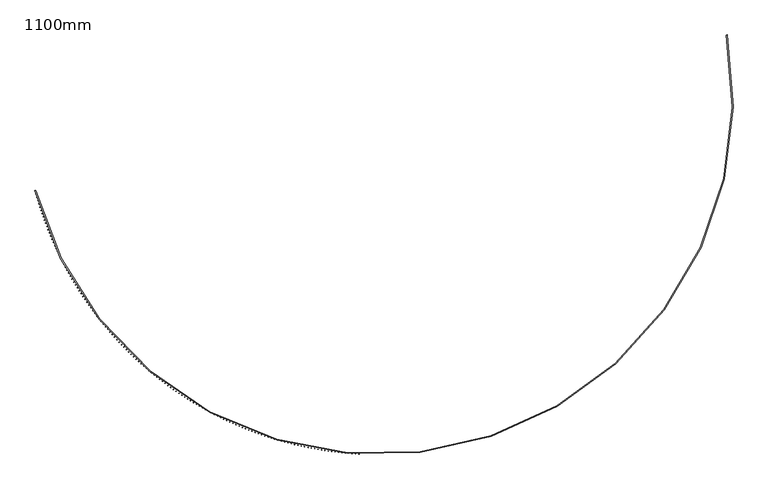
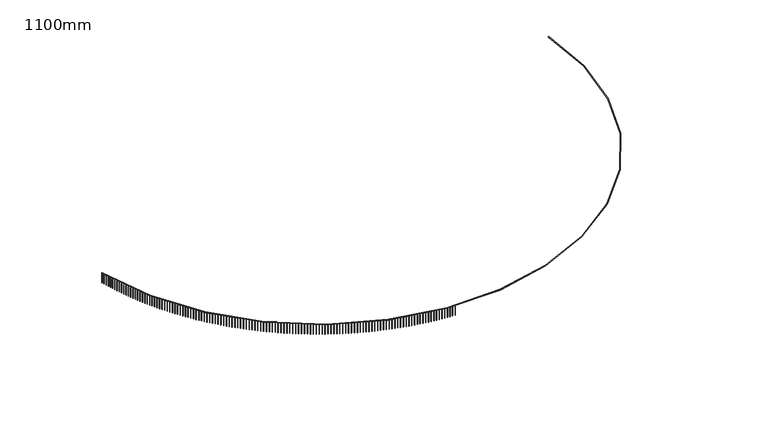
"""IFC4 building model written with IfcOpenShell, lengths in millimetres: railing geometry, 1100mm."""

from ifc_helpers import new_model, si_unit, point, frame, frame_2d, origin, place, context, project, spatial, polyline, circle_curve, trimmed, segment, composite_curve, outline, extrude, source, transform, mapped, element, save


def railing_1100mm_6e2696e0(model_context):
    return source(origin(), model_context, "Body", "SweptSolid", [
        extrude(outline(composite_curve([segment(trimmed(circle_curve(frame_2d((-9136.8690583, -54154.7608855)), 28388.8165606), [point((-36585.4829825, -61400.3457034))], [point((18767.7276518, -48933.8042532))], True, "CARTESIAN"), True, "CONTINUOUS"), segment(polyline([(18767.7276518, -48933.8042532), (18816.8748162, -48924.6088071)]), True, "CONTINUOUS"), segment(trimmed(circle_curve(frame_2d((-9136.8690583, -54154.7608855)), 28438.8165606), [point((18816.8748162, -48924.6088071))], [point((-36633.8270441, -61413.1070399))], False, "CARTESIAN"), True, "CONTINUOUS"), segment(polyline([(-36633.8270441, -61413.1070399), (-36585.4829825, -61400.3457034)]), True, "CONTINUOUS")], self_intersect=False)), frame((0.0, 0.0, 11650.0), z_axis=(0.0, 0.0, 1.0), x_axis=(1.0, 0.0, 0.0)), (0.0, 0.0, 1.0), 50.0),
        extrude(outline(polyline([(-36591.3081731, -61427.223434), (-36615.4775056, -61433.6143155), (-36621.8683871, -61409.444983), (-36597.6990545, -61403.0541015), (-36591.3081731, -61427.223434)])), frame((0.0, 0.0, 10600.0), z_axis=(0.0, 0.0, 1.0), x_axis=(1.0, 0.0, 0.0)), (0.0, 0.0, 1.0), 1050.0),
        extrude(outline(polyline([(-36519.6377071, -61692.593449), (-36543.7440551, -61699.2179477), (-36550.3685538, -61675.1115996), (-36526.2622058, -61668.4871009), (-36519.6377071, -61692.593449)])), frame((0.0, 0.0, 10600.0), z_axis=(0.0, 0.0, 1.0), x_axis=(1.0, 0.0, 0.0)), (0.0, 0.0, 1.0), 1050.0),
        extrude(outline(polyline([(-36445.4022833, -61957.2573914), (-36469.4433889, -61964.1148868), (-36476.3008843, -61940.0737813), (-36452.2597788, -61933.2162858), (-36445.4022833, -61957.2573914)])), frame((0.0, 0.0, 10600.0), z_axis=(0.0, 0.0, 1.0), x_axis=(1.0, 0.0, 0.0)), (0.0, 0.0, 1.0), 1050.0),
        extrude(outline(polyline([(-36368.6088556, -62221.19047), (-36392.5824667, -62228.2803198), (-36399.6723165, -62204.3067087), (-36375.6987054, -62197.2168589), (-36368.6088556, -62221.19047)])), frame((0.0, 0.0, 10600.0), z_axis=(0.0, 0.0, 1.0), x_axis=(1.0, 0.0, 0.0)), (0.0, 0.0, 1.0), 1050.0),
        extrude(outline(polyline([(-36289.264617, -62484.3679621), (-36313.1684881, -62491.6895022), (-36320.4900282, -62467.7856312), (-36296.5861571, -62460.4640911), (-36289.264617, -62484.3679621)])), frame((0.0, 0.0, 10600.0), z_axis=(0.0, 0.0, 1.0), x_axis=(1.0, 0.0, 0.0)), (0.0, 0.0, 1.0), 1050.0),
        extrude(outline(polyline([(-36207.3769999, -62746.7652157), (-36231.2088918, -62754.3177603), (-36238.7614364, -62730.4858684), (-36214.9295445, -62722.9333238), (-36207.3769999, -62746.7652157)])), frame((0.0, 0.0, 10600.0), z_axis=(0.0, 0.0, 1.0), x_axis=(1.0, 0.0, 0.0)), (0.0, 0.0, 1.0), 1050.0),
        extrude(outline(polyline([(-36122.9536747, -63008.357652), (-36146.7113551, -63016.1404936), (-36154.4941967, -62992.3828132), (-36130.7365163, -62984.5999716), (-36122.9536747, -63008.357652)])), frame((0.0, 0.0, 10600.0), z_axis=(0.0, 0.0, 1.0), x_axis=(1.0, 0.0, 0.0)), (0.0, 0.0, 1.0), 1050.0),
        extrude(outline(polyline([(-36036.0025494, -63269.1207673), (-36059.6837929, -63277.1331769), (-36067.6962025, -63253.4519335), (-36044.014959, -63245.4395239), (-36036.0025494, -63269.1207673)])), frame((0.0, 0.0, 10600.0), z_axis=(0.0, 0.0, 1.0), x_axis=(1.0, 0.0, 0.0)), (0.0, 0.0, 1.0), 1050.0),
        extrude(outline(polyline([(-35946.5317687, -63529.030136), (-35970.1343571, -63537.2713631), (-35978.3755841, -63513.6687748), (-35954.7729958, -63505.4275477), (-35946.5317687, -63529.030136)])), frame((0.0, 0.0, 10600.0), z_axis=(0.0, 0.0, 1.0), x_axis=(1.0, 0.0, 0.0)), (0.0, 0.0, 1.0), 1050.0),
        extrude(outline(polyline([(-35854.5497134, -63788.0614122), (-35878.0714358, -63796.5306848), (-35886.5407084, -63773.0089625), (-35863.018986, -63764.5396899), (-35854.5497134, -63788.0614122)])), frame((0.0, 0.0, 10600.0), z_axis=(0.0, 0.0, 1.0), x_axis=(1.0, 0.0, 0.0)), (0.0, 0.0, 1.0), 1050.0),
        extrude(outline(polyline([(-35760.0649996, -64046.1903323), (-35783.5036526, -64054.8868571), (-35792.2001774, -64031.448204), (-35768.7615243, -64022.7516793), (-35760.0649996, -64046.1903323)])), frame((0.0, 0.0, 10600.0), z_axis=(0.0, 0.0, 1.0), x_axis=(1.0, 0.0, 0.0)), (0.0, 0.0, 1.0), 1050.0),
        extrude(outline(polyline([(-35663.0864775, -64303.3927172), (-35686.4398658, -64312.3156796), (-35695.3628281, -64288.9622913), (-35672.0094399, -64280.039329), (-35663.0864775, -64303.3927172)])), frame((0.0, 0.0, 10600.0), z_axis=(0.0, 0.0, 1.0), x_axis=(1.0, 0.0, 0.0)), (0.0, 0.0, 1.0), 1050.0),
        extrude(outline(polyline([(-35563.6232314, -64559.6444747), (-35586.8891673, -64568.7930388), (-35596.0377314, -64545.5271029), (-35572.7717955, -64536.3785387), (-35563.6232314, -64559.6444747)])), frame((0.0, 0.0, 10600.0), z_axis=(0.0, 0.0, 1.0), x_axis=(1.0, 0.0, 0.0)), (0.0, 0.0, 1.0), 1050.0),
        extrude(outline(polyline([(-35461.6845778, -64814.9216014), (-35484.8608821, -64824.2949104), (-35494.234191, -64801.1186061), (-35471.0578868, -64791.7452972), (-35461.6845778, -64814.9216014)])), frame((0.0, 0.0, 10600.0), z_axis=(0.0, 0.0, 1.0), x_axis=(1.0, 0.0, 0.0)), (0.0, 0.0, 1.0), 1050.0),
        extrude(outline(polyline([(-35357.2800656, -65069.2001856), (-35380.3645673, -65078.7973613), (-35389.961743, -65055.7128597), (-35366.8772413, -65046.1156839), (-35357.2800656, -65069.2001856)])), frame((0.0, 0.0, 10600.0), z_axis=(0.0, 0.0, 1.0), x_axis=(1.0, 0.0, 0.0)), (0.0, 0.0, 1.0), 1050.0),
        extrude(outline(polyline([(-35250.4194743, -65322.4564087), (-35273.410011, -65332.2765523), (-35283.2301546, -65309.2860156), (-35260.2396179, -65299.465872), (-35250.4194743, -65322.4564087)])), frame((0.0, 0.0, 10600.0), z_axis=(0.0, 0.0, 1.0), x_axis=(1.0, 0.0, 0.0)), (0.0, 0.0, 1.0), 1050.0),
        extrude(outline(polyline([(-35141.1128135, -65574.6665482), (-35164.0072318, -65584.7087398), (-35174.0494234, -65561.8143215), (-35151.1550051, -65551.7721299), (-35141.1128135, -65574.6665482)])), frame((0.0, 0.0, 10600.0), z_axis=(0.0, 0.0, 1.0), x_axis=(1.0, 0.0, 0.0)), (0.0, 0.0, 1.0), 1050.0),
        extrude(outline(polyline([(-35029.3703222, -65825.8069794), (-35052.1664775, -65836.0702783), (-35062.4297764, -65813.274123), (-35039.6336211, -65803.0108241), (-35029.3703222, -65825.8069794)])), frame((0.0, 0.0, 10600.0), z_axis=(0.0, 0.0, 1.0), x_axis=(1.0, 0.0, 0.0)), (0.0, 0.0, 1.0), 1050.0),
        extrude(outline(polyline([(-34915.2024673, -66075.8541778), (-34937.8982242, -66086.3376226), (-34948.3816691, -66063.6418657), (-34925.6859121, -66053.1584208), (-34915.2024673, -66075.8541778)])), frame((0.0, 0.0, 10600.0), z_axis=(0.0, 0.0, 1.0), x_axis=(1.0, 0.0, 0.0)), (0.0, 0.0, 1.0), 1050.0),
        extrude(outline(polyline([(-34798.6199429, -66324.7847214), (-34821.2131756, -66335.4873302), (-34831.9157844, -66312.8940975), (-34809.3225517, -66302.1914887), (-34798.6199429, -66324.7847214)])), frame((0.0, 0.0, 10600.0), z_axis=(0.0, 0.0, 1.0), x_axis=(1.0, 0.0, 0.0)), (0.0, 0.0, 1.0), 1050.0),
        extrude(outline(polyline([(-34679.6336693, -66572.5752928), (-34702.1222615, -66583.496063), (-34713.0430317, -66561.0074709), (-34690.5544396, -66550.0867006), (-34679.6336693, -66572.5752928)])), frame((0.0, 0.0, 10600.0), z_axis=(0.0, 0.0, 1.0), x_axis=(1.0, 0.0, 0.0)), (0.0, 0.0, 1.0), 1050.0),
        extrude(outline(polyline([(-34558.2547922, -66819.2026812), (-34580.6366373, -66830.3405899), (-34591.774546, -66807.9587449), (-34569.3927009, -66796.8208361), (-34558.2547922, -66819.2026812)])), frame((0.0, 0.0, 10600.0), z_axis=(0.0, 0.0, 1.0), x_axis=(1.0, 0.0, 0.0)), (0.0, 0.0, 1.0), 1050.0),
        extrude(outline(polyline([(-34434.4946811, -67064.643785), (-34456.7676825, -67075.9977889), (-34468.1216865, -67053.7247874), (-34445.848685, -67042.3707835), (-34434.4946811, -67064.643785)])), frame((0.0, 0.0, 10600.0), z_axis=(0.0, 0.0, 1.0), x_axis=(1.0, 0.0, 0.0)), (0.0, 0.0, 1.0), 1050.0),
        extrude(outline(polyline([(-34308.3649286, -67308.8756136), (-34330.5270002, -67320.4446491), (-34342.0960358, -67298.2825776), (-34319.9339642, -67286.713542), (-34308.3649286, -67308.8756136)])), frame((0.0, 0.0, 10600.0), z_axis=(0.0, 0.0, 1.0), x_axis=(1.0, 0.0, 0.0)), (0.0, 0.0, 1.0), 1050.0),
        extrude(outline(polyline([(-34179.8773495, -67551.8752896), (-34201.9264152, -67563.6582732), (-34213.7093987, -67541.6092075), (-34191.6603331, -67529.8262239), (-34179.8773495, -67551.8752896)])), frame((0.0, 0.0, 10600.0), z_axis=(0.0, 0.0, 1.0), x_axis=(1.0, 0.0, 0.0)), (0.0, 0.0, 1.0), 1050.0),
        extrude(outline(polyline([(-34049.0439792, -67793.6200511), (-34070.9779736, -67805.615879), (-34082.9738015, -67783.6818845), (-34061.039807, -67771.6860567), (-34049.0439792, -67793.6200511)])), frame((0.0, 0.0, 10600.0), z_axis=(0.0, 0.0, 1.0), x_axis=(1.0, 0.0, 0.0)), (0.0, 0.0, 1.0), 1050.0),
        extrude(outline(polyline([(-33915.8770729, -68034.0872539), (-33937.6939416, -68046.2948024), (-33949.9014901, -68024.4779337), (-33928.0846213, -68012.2703852), (-33915.8770729, -68034.0872539)])), frame((0.0, 0.0, 10600.0), z_axis=(0.0, 0.0, 1.0), x_axis=(1.0, 0.0, 0.0)), (0.0, 0.0, 1.0), 1050.0),
        extrude(outline(polyline([(-33780.3891045, -68273.2543732), (-33802.0868038, -68285.6724988), (-33814.5049294, -68263.9747995), (-33792.80723, -68251.5566739), (-33780.3891045, -68273.2543732)])), frame((0.0, 0.0, 10600.0), z_axis=(0.0, 0.0, 1.0), x_axis=(1.0, 0.0, 0.0)), (0.0, 0.0, 1.0), 1050.0),
        extrude(outline(polyline([(-33642.5927651, -68511.0990061), (-33664.1692626, -68523.7265456), (-33676.7968021, -68502.1500481), (-33655.2203046, -68489.5225086), (-33642.5927651, -68511.0990061)])), frame((0.0, 0.0, 10600.0), z_axis=(0.0, 0.0, 1.0), x_axis=(1.0, 0.0, 0.0)), (0.0, 0.0, 1.0), 1050.0),
        extrude(outline(polyline([(-33502.5009623, -68747.5988736), (-33523.9542369, -68760.4346442), (-33536.7900075, -68738.9813695), (-33515.3367329, -68726.1455989), (-33502.5009623, -68747.5988736)])), frame((0.0, 0.0, 10600.0), z_axis=(0.0, 0.0, 1.0), x_axis=(1.0, 0.0, 0.0)), (0.0, 0.0, 1.0), 1050.0),
        extrude(outline(polyline([(-33360.1268185, -68982.7318226), (-33381.4548607, -68995.7746219), (-33394.49766, -68974.4465797), (-33373.1696178, -68961.4037804), (-33360.1268185, -68982.7318226)])), frame((0.0, 0.0, 10600.0), z_axis=(0.0, 0.0, 1.0), x_axis=(1.0, 0.0, 0.0)), (0.0, 0.0, 1.0), 1050.0),
        extrude(outline(polyline([(-33215.4836699, -69216.4758281), (-33236.6844819, -69229.7244345), (-33249.9330883, -69208.5236225), (-33228.7322763, -69195.2750161), (-33215.4836699, -69216.4758281)])), frame((0.0, 0.0, 10600.0), z_axis=(0.0, 0.0, 1.0), x_axis=(1.0, 0.0, 0.0)), (0.0, 0.0, 1.0), 1050.0),
        extrude(outline(polyline([(-33068.5850654, -69448.8089952), (-33089.6566613, -69462.2621676), (-33103.1098337, -69441.1905717), (-33082.0382378, -69427.7373993), (-33068.5850654, -69448.8089952)])), frame((0.0, 0.0, 10600.0), z_axis=(0.0, 0.0, 1.0), x_axis=(1.0, 0.0, 0.0)), (0.0, 0.0, 1.0), 1050.0),
        extrude(outline(polyline([(-32919.444765, -69679.7095611), (-32940.385171, -69693.3660394), (-32954.0416492, -69672.4256334), (-32933.1012433, -69658.7691552), (-32919.444765, -69679.7095611)])), frame((0.0, 0.0, 10600.0), z_axis=(0.0, 0.0, 1.0), x_axis=(1.0, 0.0, 0.0)), (0.0, 0.0, 1.0), 1050.0),
        extrude(outline(polyline([(-32768.0767388, -69909.1558973), (-32788.8839934, -69923.0144022), (-32802.7424983, -69902.2071476), (-32781.9352437, -69888.3486427), (-32768.0767388, -69909.1558973)])), frame((0.0, 0.0, 10600.0), z_axis=(0.0, 0.0, 1.0), x_axis=(1.0, 0.0, 0.0)), (0.0, 0.0, 1.0), 1050.0),
        extrude(outline(polyline([(-32614.4951655, -70137.1265113), (-32635.1673196, -70151.1857448), (-32649.226553, -70130.5135906), (-32628.5543989, -70116.4543572), (-32614.4951655, -70137.1265113)])), frame((0.0, 0.0, 10600.0), z_axis=(0.0, 0.0, 1.0), x_axis=(1.0, 0.0, 0.0)), (0.0, 0.0, 1.0), 1050.0),
        extrude(outline(polyline([(-32458.7144311, -70363.6000492), (-32479.2495484, -70377.8586942), (-32493.5081934, -70357.3235769), (-32472.9730761, -70343.0649319), (-32458.7144311, -70363.6000492)])), frame((0.0, 0.0, 10600.0), z_axis=(0.0, 0.0, 1.0), x_axis=(1.0, 0.0, 0.0)), (0.0, 0.0, 1.0), 1050.0),
        extrude(outline(polyline([(-32300.7491278, -70588.5552969), (-32321.1452847, -70603.0120178), (-32335.6020057, -70582.6158609), (-32315.2058487, -70568.1591399), (-32300.7491278, -70588.5552969)])), frame((0.0, 0.0, 10600.0), z_axis=(0.0, 0.0, 1.0), x_axis=(1.0, 0.0, 0.0)), (0.0, 0.0, 1.0), 1050.0),
        extrude(outline(polyline([(-32140.6140521, -70811.9711828), (-32160.8693382, -70826.6246255), (-32175.522781, -70806.3693394), (-32155.2674948, -70791.7158967), (-32140.6140521, -70811.9711828)])), frame((0.0, 0.0, 10600.0), z_axis=(0.0, 0.0, 1.0), x_axis=(1.0, 0.0, 0.0)), (0.0, 0.0, 1.0), 1050.0),
        extrude(outline(polyline([(-31978.3242041, -71033.8267794), (-31998.436722, -71048.6755714), (-32013.2855139, -71028.5630535), (-31993.172996, -71013.7142615), (-31978.3242041, -71033.8267794)])), frame((0.0, 0.0, 10600.0), z_axis=(0.0, 0.0, 1.0), x_axis=(1.0, 0.0, 0.0)), (0.0, 0.0, 1.0), 1050.0),
        extrude(outline(polyline([(-31813.8947854, -71254.1013055), (-31833.8626512, -71269.1440558), (-31848.9054015, -71249.17619), (-31828.9375357, -71234.1334397), (-31813.8947854, -71254.1013055)])), frame((0.0, 0.0, 10600.0), z_axis=(0.0, 0.0, 1.0), x_axis=(1.0, 0.0, 0.0)), (0.0, 0.0, 1.0), 1050.0),
        extrude(outline(polyline([(-31647.3411984, -71472.7741277), (-31667.1625417, -71488.0094272), (-31682.3978412, -71468.188084), (-31662.5764979, -71452.9527845), (-31647.3411984, -71472.7741277)])), frame((0.0, 0.0, 10600.0), z_axis=(0.0, 0.0, 1.0), x_axis=(1.0, 0.0, 0.0)), (0.0, 0.0, 1.0), 1050.0),
        extrude(outline(polyline([(-31478.6790441, -71689.8247629), (-31498.3520082, -71705.2511846), (-31513.7784298, -71685.5782205), (-31494.1054658, -71670.1517989), (-31478.6790441, -71689.8247629)])), frame((0.0, 0.0, 10600.0), z_axis=(0.0, 0.0, 1.0), x_axis=(1.0, 0.0, 0.0)), (0.0, 0.0, 1.0), 1050.0),
        extrude(outline(polyline([(-31307.9241212, -71905.2328799), (-31327.4468633, -71920.8489787), (-31343.0629621, -71901.3262366), (-31323.54022, -71885.7101378), (-31307.9241212, -71905.2328799)])), frame((0.0, 0.0, 10600.0), z_axis=(0.0, 0.0, 1.0), x_axis=(1.0, 0.0, 0.0)), (0.0, 0.0, 1.0), 1050.0),
        extrude(outline(polyline([(-31135.0924245, -72118.9783012), (-31154.4631159, -72134.7826144), (-31170.267429, -72115.411923), (-31150.8967377, -72099.6076098), (-31135.0924245, -72118.9783012)])), frame((0.0, 0.0, 10600.0), z_axis=(0.0, 0.0, 1.0), x_axis=(1.0, 0.0, 0.0)), (0.0, 0.0, 1.0), 1050.0),
        extrude(outline(polyline([(-30960.2001431, -72331.0410053), (-30979.4169693, -72347.0320524), (-30995.4080165, -72327.8152262), (-30976.1911902, -72311.824179), (-30960.2001431, -72331.0410053)])), frame((0.0, 0.0, 10600.0), z_axis=(0.0, 0.0, 1.0), x_axis=(1.0, 0.0, 0.0)), (0.0, 0.0, 1.0), 1050.0),
        extrude(outline(polyline([(-30783.2636593, -72541.401128), (-30802.3248203, -72557.5774112), (-30818.5011036, -72538.5162502), (-30799.4399425, -72522.339967), (-30783.2636593, -72541.401128)])), frame((0.0, 0.0, 10600.0), z_axis=(0.0, 0.0, 1.0), x_axis=(1.0, 0.0, 0.0)), (0.0, 0.0, 1.0), 1050.0),
        extrude(outline(polyline([(-30604.2995468, -72750.0389649), (-30623.2032571, -72766.398969), (-30639.5632613, -72747.4952586), (-30620.6595509, -72731.1352545), (-30604.2995468, -72750.0389649)])), frame((0.0, 0.0, 10600.0), z_axis=(0.0, 0.0, 1.0), x_axis=(1.0, 0.0, 0.0)), (0.0, 0.0, 1.0), 1050.0),
        extrude(outline(polyline([(-30423.3245693, -72956.9349727), (-30442.0690583, -72973.4771652), (-30458.6112508, -72954.7326762), (-30439.8667618, -72938.1904837), (-30423.3245693, -72956.9349727)])), frame((0.0, 0.0, 10600.0), z_axis=(0.0, 0.0, 1.0), x_axis=(1.0, 0.0, 0.0)), (0.0, 0.0, 1.0), 1050.0),
        extrude(outline(polyline([(-30240.3556788, -73162.0697714), (-30258.9391906, -73178.7926028), (-30275.662022, -73160.2090911), (-30257.0785102, -73143.4862597), (-30240.3556788, -73162.0697714)])), frame((0.0, 0.0, 10600.0), z_axis=(0.0, 0.0, 1.0), x_axis=(1.0, 0.0, 0.0)), (0.0, 0.0, 1.0), 1050.0),
        extrude(outline(polyline([(-30055.4100141, -73365.424146), (-30073.830808, -73382.3260498), (-30090.7327118, -73363.905256), (-30072.3119179, -73347.0033521), (-30055.4100141, -73365.424146)])), frame((0.0, 0.0, 10600.0), z_axis=(0.0, 0.0, 1.0), x_axis=(1.0, 0.0, 0.0)), (0.0, 0.0, 1.0), 1050.0),
        extrude(outline(polyline([(-29868.5048991, -73566.979048), (-29886.7612496, -73584.0584411), (-29903.8406427, -73565.8020907), (-29885.5842922, -73548.7226976), (-29868.5048991, -73566.979048)])), frame((0.0, 0.0, 10600.0), z_axis=(0.0, 0.0, 1.0), x_axis=(1.0, 0.0, 0.0)), (0.0, 0.0, 1.0), 1050.0),
        extrude(outline(polyline([(-29679.6578414, -73766.7155978), (-29697.7480384, -73783.9708803), (-29715.0033209, -73765.8806834), (-29696.9131239, -73748.6254009), (-29679.6578414, -73766.7155978)])), frame((0.0, 0.0, 10600.0), z_axis=(0.0, 0.0, 1.0), x_axis=(1.0, 0.0, 0.0)), (0.0, 0.0, 1.0), 1050.0),
        extrude(outline(polyline([(-29488.8865303, -73964.615086), (-29506.8088793, -73982.0446416), (-29524.2384349, -73964.1222926), (-29506.3160859, -73946.692737), (-29488.8865303, -73964.615086)])), frame((0.0, 0.0, 10600.0), z_axis=(0.0, 0.0, 1.0), x_axis=(1.0, 0.0, 0.0)), (0.0, 0.0, 1.0), 1050.0),
        extrude(outline(polyline([(-29296.2088356, -74160.6589751), (-29313.9616577, -74178.2611712), (-29331.5638537, -74160.508349), (-29313.8110316, -74142.906153), (-29296.2088356, -74160.6589751)])), frame((0.0, 0.0, 10600.0), z_axis=(0.0, 0.0, 1.0), x_axis=(1.0, 0.0, 0.0)), (0.0, 0.0, 1.0), 1050.0),
        extrude(outline(polyline([(-29101.6428053, -74354.8289017), (-29119.2244377, -74372.6020894), (-29136.9976254, -74355.020457), (-29119.415993, -74337.2472693), (-29101.6428053, -74354.8289017)])), frame((0.0, 0.0, 10600.0), z_axis=(0.0, 0.0, 1.0), x_axis=(1.0, 0.0, 0.0)), (0.0, 0.0, 1.0), 1050.0),
        extrude(outline(polyline([(-28905.2066646, -74547.1066778), (-28922.6154604, -74565.0491923), (-28940.5579749, -74547.6403965), (-28923.1491791, -74529.6978819), (-28905.2066646, -74547.1066778)])), frame((0.0, 0.0, 10600.0), z_axis=(0.0, 0.0, 1.0), x_axis=(1.0, 0.0, 0.0)), (0.0, 0.0, 1.0), 1050.0),
        extrude(outline(polyline([(-28706.9188137, -74737.4742925), (-28724.1531423, -74755.5844532), (-28742.263303, -74738.3501247), (-28725.0289744, -74720.239964), (-28706.9188137, -74737.4742925)])), frame((0.0, 0.0, 10600.0), z_axis=(0.0, 0.0, 1.0), x_axis=(1.0, 0.0, 0.0)), (0.0, 0.0, 1.0), 1050.0),
        extrude(outline(polyline([(-28506.7978265, -74925.9139142), (-28523.8560734, -74944.1900246), (-28542.1321838, -74927.1317777), (-28525.0739369, -74908.8556673), (-28506.7978265, -74925.9139142)])), frame((0.0, 0.0, 10600.0), z_axis=(0.0, 0.0, 1.0), x_axis=(1.0, 0.0, 0.0)), (0.0, 0.0, 1.0), 1050.0),
        extrude(outline(polyline([(-28304.8624483, -75112.4078915), (-28321.7430157, -75130.8482397), (-28340.183364, -75113.9676723), (-28323.3027966, -75095.5273241), (-28304.8624483, -75112.4078915)])), frame((0.0, 0.0, 10600.0), z_axis=(0.0, 0.0, 1.0), x_axis=(1.0, 0.0, 0.0)), (0.0, 0.0, 1.0), 1050.0),
        extrude(outline(polyline([(-28101.1315945, -75296.9387554), (-28117.8329012, -75315.5416142), (-28136.43576, -75298.8403075), (-28119.7344533, -75280.2374487), (-28101.1315945, -75296.9387554)])), frame((0.0, 0.0, 10600.0), z_axis=(0.0, 0.0, 1.0), x_axis=(1.0, 0.0, 0.0)), (0.0, 0.0, 1.0), 1050.0),
        extrude(outline(polyline([(-27895.6243487, -75479.489221), (-27912.1448303, -75498.2528477), (-27930.908457, -75481.7323661), (-27914.3879754, -75462.9687394), (-27895.6243487, -75479.489221)])), frame((0.0, 0.0, 10600.0), z_axis=(0.0, 0.0, 1.0), x_axis=(1.0, 0.0, 0.0)), (0.0, 0.0, 1.0), 1050.0),
        extrude(outline(polyline([(-27688.3599609, -75660.0421884), (-27704.6980699, -75678.9648255), (-27723.6207069, -75662.6267165), (-27707.282598, -75643.7040795), (-27688.3599609, -75660.0421884)])), frame((0.0, 0.0, 10600.0), z_axis=(0.0, 0.0, 1.0), x_axis=(1.0, 0.0, 0.0)), (0.0, 0.0, 1.0), 1050.0),
        extrude(outline(polyline([(-27479.3578455, -75838.5807454), (-27495.5120515, -75857.6606204), (-27514.5919265, -75841.5064144), (-27498.4377205, -75822.4265394), (-27479.3578455, -75838.5807454)])), frame((0.0, 0.0, 10600.0), z_axis=(0.0, 0.0, 1.0), x_axis=(1.0, 0.0, 0.0)), (0.0, 0.0, 1.0), 1050.0),
        extrude(outline(polyline([(-27268.63758, -76015.0881681), (-27284.6063699, -76034.3234937), (-27303.8416955, -76018.3547039), (-27287.8729057, -75999.1193782), (-27268.63758, -76015.0881681)])), frame((0.0, 0.0, 10600.0), z_axis=(0.0, 0.0, 1.0), x_axis=(1.0, 0.0, 0.0)), (0.0, 0.0, 1.0), 1050.0),
        extrude(outline(polyline([(-27056.2189027, -76189.5479229), (-27072.0007805, -76208.9368974), (-27091.389755, -76193.1550195), (-27075.6078772, -76173.766045), (-27056.2189027, -76189.5479229)])), frame((0.0, 0.0, 10600.0), z_axis=(0.0, 0.0, 1.0), x_axis=(1.0, 0.0, 0.0)), (0.0, 0.0, 1.0), 1050.0),
        extrude(outline(polyline([(-26842.1217108, -76361.9436681), (-26857.7151983, -76381.4844753), (-26877.2560055, -76365.8909877), (-26861.662518, -76346.3501805), (-26842.1217108, -76361.9436681)])), frame((0.0, 0.0, 10600.0), z_axis=(0.0, 0.0, 1.0), x_axis=(1.0, 0.0, 0.0)), (0.0, 0.0, 1.0), 1050.0),
        extrude(outline(polyline([(-26626.366059, -76532.2592553), (-26641.7696956, -76551.9500648), (-26661.4605051, -76536.5464281), (-26646.0568685, -76516.8556187), (-26626.366059, -76532.2592553)])), frame((0.0, 0.0, 10600.0), z_axis=(0.0, 0.0, 1.0), x_axis=(1.0, 0.0, 0.0)), (0.0, 0.0, 1.0), 1050.0),
        extrude(outline(polyline([(-26408.9721572, -76700.478731), (-26424.1845, -76720.3176983), (-26444.0234674, -76705.1053555), (-26428.8111245, -76685.2663881), (-26408.9721572, -76700.478731)])), frame((0.0, 0.0, 10600.0), z_axis=(0.0, 0.0, 1.0), x_axis=(1.0, 0.0, 0.0)), (0.0, 0.0, 1.0), 1050.0),
        extrude(outline(polyline([(-26189.9603688, -76866.5863379), (-26204.9799929, -76886.5716048), (-26224.9652598, -76871.5519807), (-26209.9456357, -76851.5667138), (-26189.9603688, -76866.5863379)])), frame((0.0, 0.0, 10600.0), z_axis=(0.0, 0.0, 1.0), x_axis=(1.0, 0.0, 0.0)), (0.0, 0.0, 1.0), 1050.0),
        extrude(outline(polyline([(-25969.3512088, -77030.5665168), (-25984.1767073, -77050.6962111), (-26004.3064016, -77035.8707127), (-25989.4809032, -77015.7410183), (-25969.3512088, -77030.5665168)])), frame((0.0, 0.0, 10600.0), z_axis=(0.0, 0.0, 1.0), x_axis=(1.0, 0.0, 0.0)), (0.0, 0.0, 1.0), 1050.0),
        extrude(outline(polyline([(-25747.1653417, -77192.4039074), (-25761.7953258, -77212.6761437), (-25782.0675621, -77198.0461596), (-25767.437578, -77177.7739233), (-25747.1653417, -77192.4039074)])), frame((0.0, 0.0, 10600.0), z_axis=(0.0, 0.0, 1.0), x_axis=(1.0, 0.0, 0.0)), (0.0, 0.0, 1.0), 1050.0),
        extrude(outline(polyline([(-25523.4235798, -77352.0833504), (-25537.8566792, -77372.4962297), (-25558.2695585, -77358.0631304), (-25543.8364591, -77337.650251), (-25523.4235798, -77352.0833504)])), frame((0.0, 0.0, 10600.0), z_axis=(0.0, 0.0, 1.0), x_axis=(1.0, 0.0, 0.0)), (0.0, 0.0, 1.0), 1050.0),
        extrude(outline(polyline([(-25298.1468811, -77509.5898885), (-25312.3817438, -77530.1414988), (-25332.933354, -77515.9066362), (-25318.6984914, -77495.3550259), (-25298.1468811, -77509.5898885)])), frame((0.0, 0.0, 10600.0), z_axis=(0.0, 0.0, 1.0), x_axis=(1.0, 0.0, 0.0)), (0.0, 0.0, 1.0), 1050.0),
        extrude(outline(polyline([(-25071.3563474, -77664.9087681), (-25085.3916399, -77685.5971842), (-25106.0800561, -77671.5618917), (-25092.0447635, -77650.8734755), (-25071.3563474, -77664.9087681)])), frame((0.0, 0.0, 10600.0), z_axis=(0.0, 0.0, 1.0), x_axis=(1.0, 0.0, 0.0)), (0.0, 0.0, 1.0), 1050.0),
        extrude(outline(polyline([(-24843.0732222, -77818.0254403), (-24856.90763, -77838.8487244), (-24877.7309141, -77825.0143166), (-24863.8965063, -77804.1910325), (-24843.0732222, -77818.0254403)])), frame((0.0, 0.0, 10600.0), z_axis=(0.0, 0.0, 1.0), x_axis=(1.0, 0.0, 0.0)), (0.0, 0.0, 1.0), 1050.0),
        extrude(outline(polyline([(-24613.318889, -77968.9255625), (-24626.9511161, -77989.8817641), (-24647.9073176, -77976.249537), (-24634.2750905, -77955.2933354), (-24613.318889, -77968.9255625)])), frame((0.0, 0.0, 10600.0), z_axis=(0.0, 0.0, 1.0), x_axis=(1.0, 0.0, 0.0)), (0.0, 0.0, 1.0), 1050.0),
        extrude(outline(polyline([(-24382.1148689, -78117.595), (-24395.5436384, -78138.6821561), (-24416.6307944, -78125.2533865), (-24403.2020249, -78104.1662305), (-24382.1148689, -78117.595)])), frame((0.0, 0.0, 10600.0), z_axis=(0.0, 0.0, 1.0), x_axis=(1.0, 0.0, 0.0)), (0.0, 0.0, 1.0), 1050.0),
        extrude(outline(polyline([(-24149.482819, -78264.0198268), (-24162.7068731, -78285.235962), (-24183.9230083, -78272.011908), (-24170.6989542, -78250.7957727), (-24149.482819, -78264.0198268)])), frame((0.0, 0.0, 10600.0), z_axis=(0.0, 0.0, 1.0), x_axis=(1.0, 0.0, 0.0)), (0.0, 0.0, 1.0), 1050.0),
        extrude(outline(polyline([(-23915.44453, -78408.1863272), (-23928.4626299, -78429.5294543), (-23949.805757, -78416.5113544), (-23936.7876571, -78395.1682273), (-23915.44453, -78408.1863272)])), frame((0.0, 0.0, 10600.0), z_axis=(0.0, 0.0, 1.0), x_axis=(1.0, 0.0, 0.0)), (0.0, 0.0, 1.0), 1050.0),
        extrude(outline(polyline([(-23680.0219244, -78550.0809969), (-23692.8328507, -78571.5491167), (-23714.3009705, -78558.7381904), (-23701.4900442, -78537.2700706), (-23680.0219244, -78550.0809969)])), frame((0.0, 0.0, 10600.0), z_axis=(0.0, 0.0, 1.0), x_axis=(1.0, 0.0, 0.0)), (0.0, 0.0, 1.0), 1050.0),
        extrude(outline(polyline([(-23443.2370544, -78689.6905448), (-23455.8396071, -78711.2816463), (-23477.4307086, -78698.6790937), (-23464.8281559, -78677.0879921), (-23443.2370544, -78689.6905448)])), frame((0.0, 0.0, 10600.0), z_axis=(0.0, 0.0, 1.0), x_axis=(1.0, 0.0, 0.0)), (0.0, 0.0, 1.0), 1050.0),
        extrude(outline(polyline([(-23205.1120996, -78827.0018935), (-23217.5050983, -78848.7139543), (-23239.2171591, -78836.3209557), (-23226.8241605, -78814.6088949), (-23205.1120996, -78827.0018935)])), frame((0.0, 0.0, 10600.0), z_axis=(0.0, 0.0, 1.0), x_axis=(1.0, 0.0, 0.0)), (0.0, 0.0, 1.0), 1050.0),
        extrude(outline(polyline([(-22965.6693655, -78962.0021809), (-22977.8516492, -78983.8331673), (-22999.6826355, -78971.6508836), (-22987.5003518, -78949.8198973), (-22965.6693655, -78962.0021809)])), frame((0.0, 0.0, 10600.0), z_axis=(0.0, 0.0, 1.0), x_axis=(1.0, 0.0, 0.0)), (0.0, 0.0, 1.0), 1050.0),
        extrude(outline(polyline([(-22724.9312807, -79094.6787616), (-22736.9017083, -79116.6266285), (-22758.8495752, -79104.6562009), (-22746.8791476, -79082.708334), (-22724.9312807, -79094.6787616)])), frame((0.0, 0.0, 10600.0), z_axis=(0.0, 0.0, 1.0), x_axis=(1.0, 0.0, 0.0)), (0.0, 0.0, 1.0), 1050.0),
        extrude(outline(polyline([(-22482.9203953, -79225.0192076), (-22494.6778455, -79247.0818993), (-22516.7405372, -79235.324449), (-22504.9830869, -79213.2617573), (-22482.9203953, -79225.0192076)])), frame((0.0, 0.0, 10600.0), z_axis=(0.0, 0.0, 1.0), x_axis=(1.0, 0.0, 0.0)), (0.0, 0.0, 1.0), 1050.0),
        extrude(outline(polyline([(-22239.6593785, -79353.0113099), (-22251.2027501, -79375.1867597), (-22273.3781998, -79363.6433881), (-22261.8348282, -79341.4679383), (-22239.6593785, -79353.0113099)])), frame((0.0, 0.0, 10600.0), z_axis=(0.0, 0.0, 1.0), x_axis=(1.0, 0.0, 0.0)), (0.0, 0.0, 1.0), 1050.0),
        extrude(outline(polyline([(-21995.1710167, -79478.6430794), (-22006.4992284, -79500.9292101), (-22028.7853591, -79489.6009984), (-22017.4571474, -79467.3148678), (-21995.1710167, -79478.6430794)])), frame((0.0, 0.0, 10600.0), z_axis=(0.0, 0.0, 1.0), x_axis=(1.0, 0.0, 0.0)), (0.0, 0.0, 1.0), 1050.0),
        extrude(outline(polyline([(-21749.4782114, -79601.9027482), (-21760.590202, -79624.2974722), (-21782.984926, -79613.1854816), (-21771.8729354, -79590.7907575), (-21749.4782114, -79601.9027482)])), frame((0.0, 0.0, 10600.0), z_axis=(0.0, 0.0, 1.0), x_axis=(1.0, 0.0, 0.0)), (0.0, 0.0, 1.0), 1050.0),
        extrude(outline(polyline([(-21502.6039766, -79722.7787703), (-21513.4987053, -79745.27999), (-21535.9999249, -79734.3852613), (-21525.1051963, -79711.8840416), (-21502.6039766, -79722.7787703)])), frame((0.0, 0.0, 10600.0), z_axis=(0.0, 0.0, 1.0), x_axis=(1.0, 0.0, 0.0)), (0.0, 0.0, 1.0), 1050.0),
        extrude(outline(polyline([(-21254.5714372, -79841.2598233), (-21265.2478834, -79863.8654309), (-21287.853491, -79853.1889847), (-21277.1770448, -79830.5833771), (-21254.5714372, -79841.2598233)])), frame((0.0, 0.0, 10600.0), z_axis=(0.0, 0.0, 1.0), x_axis=(1.0, 0.0, 0.0)), (0.0, 0.0, 1.0), 1050.0),
        extrude(outline(polyline([(-21005.4038265, -79957.3348091), (-21015.8609902, -79980.0426872), (-21038.5688683, -79969.5855234), (-21028.1117045, -79946.8776454), (-21005.4038265, -79957.3348091)])), frame((0.0, 0.0, 10600.0), z_axis=(0.0, 0.0, 1.0), x_axis=(1.0, 0.0, 0.0)), (0.0, 0.0, 1.0), 1050.0),
        extrude(outline(polyline([(-20755.1244842, -80070.9928548), (-20765.3613859, -80093.8008763), (-20788.1694073, -80083.5639745), (-20777.9325056, -80060.7559531), (-20755.1244842, -80070.9928548)])), frame((0.0, 0.0, 10600.0), z_axis=(0.0, 0.0, 1.0), x_axis=(1.0, 0.0, 0.0)), (0.0, 0.0, 1.0), 1050.0),
        extrude(outline(polyline([(-20503.756854, -80182.223314), (-20513.7725348, -80205.1293424), (-20536.6785632, -80195.1136616), (-20526.6628824, -80172.2076332), (-20503.756854, -80182.223314)])), frame((0.0, 0.0, 10600.0), z_axis=(0.0, 0.0, 1.0), x_axis=(1.0, 0.0, 0.0)), (0.0, 0.0, 1.0), 1050.0),
        extrude(outline(polyline([(-20251.3244818, -80291.0157677), (-20261.1180034, -80314.0176574), (-20284.1198932, -80304.2241358), (-20274.3263715, -80281.222246), (-20251.3244818, -80291.0157677)])), frame((0.0, 0.0, 10600.0), z_axis=(0.0, 0.0, 1.0), x_axis=(1.0, 0.0, 0.0)), (0.0, 0.0, 1.0), 1050.0),
        extrude(outline(polyline([(-19997.8510129, -80397.3600252), (-20007.4214581, -80420.4556217), (-20030.5170546, -80410.8851765), (-20020.9466094, -80387.78958), (-19997.8510129, -80397.3600252)])), frame((0.0, 0.0, 10600.0), z_axis=(0.0, 0.0, 1.0), x_axis=(1.0, 0.0, 0.0)), (0.0, 0.0, 1.0), 1050.0),
        extrude(outline(polyline([(-19743.3601904, -80501.2461253), (-19752.7066626, -80524.4332652), (-19775.8938025, -80515.0867929), (-19766.5473303, -80491.899653), (-19743.3601904, -80501.2461253)])), frame((0.0, 0.0, 10600.0), z_axis=(0.0, 0.0, 1.0), x_axis=(1.0, 0.0, 0.0)), (0.0, 0.0, 1.0), 1050.0),
        extrude(outline(polyline([(-19487.8758525, -80602.6643369), (-19496.9974763, -80625.9408482), (-19520.2739876, -80616.8192243), (-19511.1523638, -80593.542713), (-19487.8758525, -80602.6643369)])), frame((0.0, 0.0, 10600.0), z_axis=(0.0, 0.0, 1.0), x_axis=(1.0, 0.0, 0.0)), (0.0, 0.0, 1.0), 1050.0),
        extrude(outline(polyline([(-19231.4219306, -80701.60516), (-19240.3178516, -80724.9688624), (-19263.681554, -80716.0729414), (-19254.785633, -80692.709239), (-19231.4219306, -80701.60516)])), frame((0.0, 0.0, 10600.0), z_axis=(0.0, 0.0, 1.0), x_axis=(1.0, 0.0, 0.0)), (0.0, 0.0, 1.0), 1050.0),
        extrude(outline(polyline([(-18974.0224469, -80798.0593269), (-18982.6918317, -80821.5080319), (-19006.1405367, -80812.838647), (-18997.4711519, -80789.389942), (-18974.0224469, -80798.0593269)])), frame((0.0, 0.0, 10600.0), z_axis=(0.0, 0.0, 1.0), x_axis=(1.0, 0.0, 0.0)), (0.0, 0.0, 1.0), 1050.0),
        extrude(outline(polyline([(-18715.701512, -80892.0178026), (-18724.1435487, -80915.5493137), (-18747.6750598, -80907.1072771), (-18739.2330232, -80883.5757659), (-18715.701512, -80892.0178026)])), frame((0.0, 0.0, 10600.0), z_axis=(0.0, 0.0, 1.0), x_axis=(1.0, 0.0, 0.0)), (0.0, 0.0, 1.0), 1050.0),
        extrude(outline(polyline([(-18456.4833231, -80983.471786), (-18464.6972208, -81007.0838991), (-18488.3093339, -80998.8700014), (-18480.0954362, -80975.2578883), (-18456.4833231, -80983.471786)])), frame((0.0, 0.0, 10600.0), z_axis=(0.0, 0.0, 1.0), x_axis=(1.0, 0.0, 0.0)), (0.0, 0.0, 1.0), 1050.0),
        extrude(outline(polyline([(-18196.3921612, -81072.4127105), (-18204.3771505, -81096.1032138), (-18228.0676538, -81088.1182245), (-18220.0826645, -81064.4277212), (-18196.3921612, -81072.4127105)])), frame((0.0, 0.0, 10600.0), z_axis=(0.0, 0.0, 1.0), x_axis=(1.0, 0.0, 0.0)), (0.0, 0.0, 1.0), 1050.0),
        extrude(outline(polyline([(-17935.4523893, -81158.8322451), (-17943.2077223, -81182.5989194), (-17966.9743966, -81174.8435865), (-17959.2190637, -81151.0769121), (-17935.4523893, -81158.8322451)])), frame((0.0, 0.0, 10600.0), z_axis=(0.0, 0.0, 1.0), x_axis=(1.0, 0.0, 0.0)), (0.0, 0.0, 1.0), 1050.0),
        extrude(outline(polyline([(-17673.6884496, -81242.7222947), (-17681.2133998, -81266.5629139), (-17705.054019, -81259.0379637), (-17697.5290688, -81235.1973445), (-17673.6884496, -81242.7222947)])), frame((0.0, 0.0, 10600.0), z_axis=(0.0, 0.0, 1.0), x_axis=(1.0, 0.0, 0.0)), (0.0, 0.0, 1.0), 1050.0),
        extrude(outline(polyline([(-17411.1248618, -81324.0750013), (-17418.4187243, -81347.9873322), (-17442.3310552, -81340.6934697), (-17435.0371927, -81316.7811388), (-17411.1248618, -81324.0750013)])), frame((0.0, 0.0, 10600.0), z_axis=(0.0, 0.0, 1.0), x_axis=(1.0, 0.0, 0.0)), (0.0, 0.0, 1.0), 1050.0),
        extrude(outline(polyline([(-17147.7862202, -81402.8827446), (-17154.8483119, -81426.8645473), (-17178.8301146, -81419.8024557), (-17171.7680229, -81395.820653), (-17147.7862202, -81402.8827446)])), frame((0.0, 0.0, 10600.0), z_axis=(0.0, 0.0, 1.0), x_axis=(1.0, 0.0, 0.0)), (0.0, 0.0, 1.0), 1050.0),
        extrude(outline(polyline([(-16883.697192, -81479.1381427), (-16890.5268514, -81503.1871708), (-16914.5758795, -81496.3575115), (-16907.7462202, -81472.3084834), (-16883.697192, -81479.1381427)])), frame((0.0, 0.0, 10600.0), z_axis=(0.0, 0.0, 1.0), x_axis=(1.0, 0.0, 0.0)), (0.0, 0.0, 1.0), 1050.0),
        extrude(outline(polyline([(-16618.8825146, -81552.8340525), (-16625.4791018, -81576.9480534), (-16649.5931026, -81570.3514662), (-16642.9965154, -81546.2374653), (-16618.8825146, -81552.8340525)])), frame((0.0, 0.0, 10600.0), z_axis=(0.0, 0.0, 1.0), x_axis=(1.0, 0.0, 0.0)), (0.0, 0.0, 1.0), 1050.0),
        extrude(outline(polyline([(-16353.3669931, -81623.9635711), (-16359.7298903, -81648.1402859), (-16383.9066051, -81641.7773887), (-16377.5437079, -81617.6006739), (-16353.3669931, -81623.9635711)])), frame((0.0, 0.0, 10600.0), z_axis=(0.0, 0.0, 1.0), x_axis=(1.0, 0.0, 0.0)), (0.0, 0.0, 1.0), 1050.0),
        extrude(outline(polyline([(-16087.1754987, -81692.5200356), (-16093.3041099, -81716.7571998), (-16117.541274, -81710.6285886), (-16111.4126628, -81686.3914245), (-16087.1754987, -81692.5200356)])), frame((0.0, 0.0, 10600.0), z_axis=(0.0, 0.0, 1.0), x_axis=(1.0, 0.0, 0.0)), (0.0, 0.0, 1.0), 1050.0),
        extrude(outline(polyline([(-15820.3329656, -81758.4970244), (-15826.2267166, -81782.7923675), (-15850.5220598, -81776.8986165), (-15844.6283087, -81752.6032733), (-15820.3329656, -81758.4970244)])), frame((0.0, 0.0, 10600.0), z_axis=(0.0, 0.0, 1.0), x_axis=(1.0, 0.0, 0.0)), (0.0, 0.0, 1.0), 1050.0),
        extrude(outline(polyline([(-15552.864389, -81821.8883573), (-15558.5227279, -81846.2396037), (-15582.8739743, -81840.5812648), (-15577.2156354, -81816.2300184), (-15552.864389, -81821.8883573)])), frame((0.0, 0.0, 10600.0), z_axis=(0.0, 0.0, 1.0), x_axis=(1.0, 0.0, 0.0)), (0.0, 0.0, 1.0), 1050.0),
        extrude(outline(polyline([(-15284.7948229, -81882.6880965), (-15290.2172196, -81907.0929652), (-15314.6220883, -81901.6705685), (-15309.1996916, -81877.2656998), (-15284.7948229, -81882.6880965)])), frame((0.0, 0.0, 10600.0), z_axis=(0.0, 0.0, 1.0), x_axis=(1.0, 0.0, 0.0)), (0.0, 0.0, 1.0), 1050.0),
        extrude(outline(polyline([(-15016.1493776, -81940.8905468), (-15021.3353241, -81965.3467517), (-15045.791529, -81960.1608051), (-15040.6055825, -81935.7046002), (-15016.1493776, -81940.8905468)])), frame((0.0, 0.0, 10600.0), z_axis=(0.0, 0.0, 1.0), x_axis=(1.0, 0.0, 0.0)), (0.0, 0.0, 1.0), 1050.0),
        extrude(outline(polyline([(-14746.953217, -81996.4902563), (-14751.9022277, -82020.9955066), (-14776.4074781, -82016.0464959), (-14771.4584674, -81991.5412456), (-14746.953217, -81996.4902563)])), frame((0.0, 0.0, 10600.0), z_axis=(0.0, 0.0, 1.0), x_axis=(1.0, 0.0, 0.0)), (0.0, 0.0, 1.0), 1050.0),
        extrude(outline(polyline([(-14477.2315571, -82049.482017), (-14481.9431684, -82074.0340174), (-14506.4951687, -82069.3224061), (-14501.7835574, -82044.7704058), (-14477.2315571, -82049.482017)])), frame((0.0, 0.0, 10600.0), z_axis=(0.0, 0.0, 1.0), x_axis=(1.0, 0.0, 0.0)), (0.0, 0.0, 1.0), 1050.0),
        extrude(outline(polyline([(-14207.0096627, -82099.8608652), (-14211.4834332, -82124.4573157), (-14236.0798837, -82119.9835453), (-14231.6061133, -82095.3870948), (-14207.0096627, -82099.8608652)])), frame((0.0, 0.0, 10600.0), z_axis=(0.0, 0.0, 1.0), x_axis=(1.0, 0.0, 0.0)), (0.0, 0.0, 1.0), 1050.0),
        extrude(outline(polyline([(-13936.3128458, -82147.6220818), (-13940.5483564, -82172.2606786), (-13965.1869531, -82168.025168), (-13960.9514425, -82143.3865712), (-13936.3128458, -82147.6220818)])), frame((0.0, 0.0, 10600.0), z_axis=(0.0, 0.0, 1.0), x_axis=(1.0, 0.0, 0.0)), (0.0, 0.0, 1.0), 1050.0),
        extrude(outline(polyline([(-13665.1664625, -82192.761193), (-13669.1633165, -82217.4396281), (-13693.8417515, -82213.4427741), (-13689.8448975, -82188.764339), (-13665.1664625, -82192.761193)])), frame((0.0, 0.0, 10600.0), z_axis=(0.0, 0.0, 1.0), x_axis=(1.0, 0.0, 0.0)), (0.0, 0.0, 1.0), 1050.0),
        extrude(outline(polyline([(-13393.5959113, -82235.2739706), (-13397.3537343, -82259.9899324), (-13422.069696, -82256.2321094), (-13418.311873, -82231.5161476), (-13393.5959113, -82235.2739706)])), frame((0.0, 0.0, 10600.0), z_axis=(0.0, 0.0, 1.0), x_axis=(1.0, 0.0, 0.0)), (0.0, 0.0, 1.0), 1050.0),
        extrude(outline(polyline([(-13121.6266303, -82275.1564325), (-13125.1450703, -82299.9076058), (-13149.8962436, -82296.3891657), (-13146.3778036, -82271.6379924), (-13121.6266303, -82275.1564325)])), frame((0.0, 0.0, 10600.0), z_axis=(0.0, 0.0, 1.0), x_axis=(1.0, 0.0, 0.0)), (0.0, 0.0, 1.0), 1050.0),
        extrude(outline(polyline([(-12849.2840951, -82312.4048427), (-12852.5628226, -82337.1889091), (-12877.346889, -82333.9101816), (-12874.0681615, -82309.1261152), (-12849.2840951, -82312.4048427)])), frame((0.0, 0.0, 10600.0), z_axis=(0.0, 0.0, 1.0), x_axis=(1.0, 0.0, 0.0)), (0.0, 0.0, 1.0), 1050.0),
        extrude(outline(polyline([(-12576.5938162, -82347.0157122), (-12579.6325239, -82371.8303502), (-12604.4471619, -82368.7916424), (-12601.4084541, -82343.9770044), (-12576.5938162, -82347.0157122)])), frame((0.0, 0.0, 10600.0), z_axis=(0.0, 0.0, 1.0), x_axis=(1.0, 0.0, 0.0)), (0.0, 0.0, 1.0), 1050.0),
        extrude(outline(polyline([(-12303.5813364, -82378.9857991), (-12306.3797399, -82403.8286841), (-12331.222625, -82401.0302807), (-12328.4242215, -82376.1873956), (-12303.5813364, -82378.9857991)])), frame((0.0, 0.0, 10600.0), z_axis=(0.0, 0.0, 1.0), x_axis=(1.0, 0.0, 0.0)), (0.0, 0.0, 1.0), 1050.0),
        extrude(outline(polyline([(-12030.2722292, -82408.3121086), (-12032.8300662, -82433.1809137), (-12057.6988714, -82430.6230767), (-12055.1410343, -82405.7542716), (-12030.2722292, -82408.3121086)])), frame((0.0, 0.0, 10600.0), z_axis=(0.0, 0.0, 1.0), x_axis=(1.0, 0.0, 0.0)), (0.0, 0.0, 1.0), 1050.0),
        extrude(outline(polyline([(-11756.6920954, -82434.9918937), (-11759.0091264, -82459.8842895), (-11783.9015222, -82457.5672585), (-11781.5844912, -82432.6748627), (-11756.6920954, -82434.9918937)])), frame((0.0, 0.0, 10600.0), z_axis=(0.0, 0.0, 1.0), x_axis=(1.0, 0.0, 0.0)), (0.0, 0.0, 1.0), 1050.0),
        extrude(outline(polyline([(-11482.8665615, -82459.0226554), (-11484.9425694, -82483.9363101), (-11509.8562241, -82481.8603022), (-11507.7802162, -82456.9466475), (-11482.8665615, -82459.0226554)])), frame((0.0, 0.0, 10600.0), z_axis=(0.0, 0.0, 1.0), x_axis=(1.0, 0.0, 0.0)), (0.0, 0.0, 1.0), 1050.0),
        extrude(outline(polyline([(-11208.8212768, -82480.4021427), (-11210.6560672, -82505.3347226), (-11235.5886471, -82503.4999322), (-11233.7538567, -82478.5673523), (-11208.8212768, -82480.4021427)])), frame((0.0, 0.0, 10600.0), z_axis=(0.0, 0.0, 1.0), x_axis=(1.0, 0.0, 0.0)), (0.0, 0.0, 1.0), 1050.0),
        extrude(outline(polyline([(-10934.5819113, -82499.1283528), (-10936.1753123, -82524.0775226), (-10961.1244821, -82522.4841216), (-10959.5310811, -82497.5349518), (-10934.5819113, -82499.1283528)])), frame((0.0, 0.0, 10600.0), z_axis=(0.0, 0.0, 1.0), x_axis=(1.0, 0.0, 0.0)), (0.0, 0.0, 1.0), 1050.0),
        extrude(outline(polyline([(-10660.1741531, -82515.1995318), (-10661.5260154, -82540.1629545), (-10686.489438, -82538.8110921), (-10685.1375757, -82513.8476695), (-10660.1741531, -82515.1995318)])), frame((0.0, 0.0, 10600.0), z_axis=(0.0, 0.0, 1.0), x_axis=(1.0, 0.0, 0.0)), (0.0, 0.0, 1.0), 1050.0),
    ])


if __name__ == "__main__":
    model = new_model("IFC4")
    model_context = context("Model", 3, world=origin())
    ifc_project = project(units=[si_unit("LENGTHUNIT", "METRE", prefix="MILLI")], contexts=[model_context])
    site = spatial("IfcSite", under=ifc_project)
    building = spatial("IfcBuilding", under=site)
    placement = place(None, origin())
    railing_1100mm_shape = railing_1100mm_6e2696e0(model_context)
    element("IfcRailing", 1, ObjectType="1100mm", at=placement, inside=building, context=model_context, shape_type="MappedRepresentation", body=[
        mapped(railing_1100mm_shape, transform((0.0, 0.0, 0.0), x_axis=(1.0, 0.0, 0.0), y_axis=(0.0, 1.0, 0.0), z_axis=(0.0, 0.0, 1.0))),
    ])
    save(model, "model.ifc")
